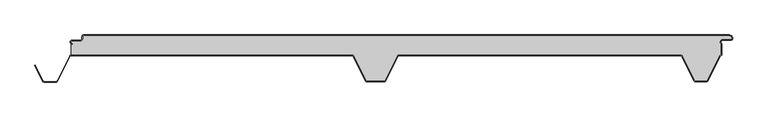
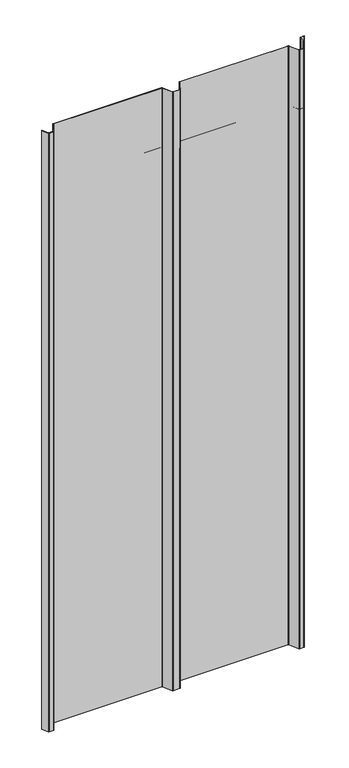
"""IFC4 building model written with IfcOpenShell, lengths in millimetres: proxy geometry."""

from ifc_helpers import new_model, si_unit, point, frame, frame_2d, origin, origin_with_axes, place, context, project, spatial, polyline, circle_curve, trimmed, segment, composite_curve, outline, extrude, source, transform, mapped, element, save
from ifc_brep_helpers import plane_surface, cylinder_surface, revolved_surface, advanced_brep


def generic_models_e5056c23(model_context):
    return source(origin(), model_context, "Body", "SolidModel", [
        extrude(outline(composite_curve([segment(polyline([(548.7649646, -5.5), (547.9649646, -5.5)]), True, "CONTINUOUS"), segment(trimmed(circle_curve(frame_2d((543.2649646, -5.5)), 4.7), [point((547.9649646, -5.5))], [point((543.2649646, -0.8))], True, "CARTESIAN"), True, "CONTINUOUS"), segment(polyline([(543.2649646, -0.8), (-448.7436881, -0.8)]), True, "CONTINUOUS"), segment(trimmed(circle_curve(frame_2d((-448.7436881, -2.5)), 1.7), [point((-448.7436881, -0.8))], [point((-450.4436881, -2.5))], True, "CARTESIAN"), True, "CONTINUOUS"), segment(polyline([(-450.4436881, -2.5), (-450.4436881, -5.5)]), True, "CONTINUOUS"), segment(trimmed(circle_curve(frame_2d((-453.7436881, -5.5)), 3.3), [point((-450.4436881, -5.5))], [point((-453.7436881, -8.8))], False, "CARTESIAN"), True, "CONTINUOUS"), segment(polyline([(-453.7436881, -8.8), (-466.2436881, -8.8)]), True, "CONTINUOUS"), segment(trimmed(circle_curve(frame_2d((-466.2436881, -11.0)), 2.2), [point((-466.2436881, -8.8))], [point((-466.2436881, -13.2))], True, "CARTESIAN"), True, "CONTINUOUS"), segment(polyline([(-466.2436881, -13.2), (-466.2436881, -14.0)]), True, "CONTINUOUS"), segment(trimmed(circle_curve(frame_2d((-466.2436881, -11.0)), 3.0), [point((-466.2436881, -14.0))], [point((-466.2436881, -8.0))], False, "CARTESIAN"), True, "CONTINUOUS"), segment(polyline([(-466.2436881, -8.0), (-453.7436881, -8.0)]), True, "CONTINUOUS"), segment(trimmed(circle_curve(frame_2d((-453.7436881, -5.5)), 2.5), [point((-453.7436881, -8.0))], [point((-451.2436881, -5.5))], True, "CARTESIAN"), True, "CONTINUOUS"), segment(polyline([(-451.2436881, -5.5), (-451.2436881, -2.5)]), True, "CONTINUOUS"), segment(trimmed(circle_curve(frame_2d((-448.7436881, -2.5)), 2.5), [point((-451.2436881, -2.5))], [point((-448.7436881, 0.0))], False, "CARTESIAN"), True, "CONTINUOUS"), segment(polyline([(-448.7436881, 0.0), (543.2649646, 0.0)]), True, "CONTINUOUS"), segment(trimmed(circle_curve(frame_2d((543.2649646, -5.5)), 5.5), [point((543.2649646, 0.0))], [point((548.7649646, -5.5))], False, "CARTESIAN"), True, "CONTINUOUS")], self_intersect=False)), origin_with_axes(), (0.0, 0.0, 1.0), 2277.6075969),
        advanced_brep(
        [(-466.2436881, -13.2, 2277.6075969), (-466.2436881, -14.0, 2277.6075969), (-467.612692, -13.6694247, 2277.6075969), (-467.612692, -31.0, 2277.6075969), (-36.4222721, -31.0, 2277.6075969), (-33.6488557, -32.715023, 2277.6075969), (-14.9197036, -70.2201502, 2277.6075969), (-13.5777279, -71.05, 2277.6075969), (13.5777279, -71.05, 2277.6075969), (14.9197036, -70.2201502, 2277.6075969), (33.6488557, -32.715023, 2277.6075969), (36.4222721, -31.0, 2277.6075969), (468.5950334, -31.0, 2277.6075969), (471.3684498, -32.715023, 2277.6075969), (490.097602, -70.2201502, 2277.6075969), (491.4395777, -71.05, 2277.6075969), (508.577726, -71.05, 2277.6075969), (509.9186975, -70.2221572, 2277.6075969), (528.900782, -32.3523913, 2277.6075969), (531.587308, -30.2829331, 2277.6075969), (531.587308, -14.1201638, 2277.6075969), (533.7563119, -7.2, 2277.6075969), (546.2563119, -7.2, 2277.6075969), (547.9563119, -5.5, 2277.6075969), (543.2649646, -0.8, 2277.6075969), (-448.7436881, -0.8, 2277.6075969), (-450.4436881, -2.5, 2277.6075969), (-450.4436881, -5.5, 2277.6075969), (-453.7436881, -8.8, 2277.6075969), (-466.2436881, -8.8, 2277.6075969), (-466.2436881, -13.2, 0.0), (-466.2436881, -8.8, 0.0), (-453.7436881, -8.8, 0.0), (-450.4436881, -5.5, 0.0), (-450.4436881, -2.5, 0.0), (-448.7436881, -0.8, 0.0), (543.2649646, -0.8, 0.0), (547.9649646, -5.5, 0.0), (546.2563119, -7.2, 0.0), (533.7563119, -7.2, 0.0), (531.587308, -14.1201638, 0.0), (531.587308, -30.2829331, 0.0), (528.900782, -32.3523913, 0.0), (509.9186975, -70.2221572, 0.0), (508.577726, -71.05, 0.0), (491.4395777, -71.05, 0.0), (490.097602, -70.2201502, 0.0), (471.3684498, -32.715023, 0.0), (468.5950334, -31.0, 0.0), (36.4222721, -31.0, 0.0), (33.6488557, -32.715023, 0.0), (14.9197036, -70.2201502, 0.0), (13.5777279, -71.05, 0.0), (-13.5777279, -71.05, 0.0), (-14.9197036, -70.2201502, 0.0), (-33.6488557, -32.715023, 0.0), (-36.4222721, -31.0, 0.0), (-467.612692, -31.0, 0.0), (-467.612692, -13.6694247, 0.0), (-466.2436881, -14.0, 0.0)],
        [
            (0, 1),
            (1, 2, circle_curve(frame((-466.2436881, -11.0, 2277.6075969), z_axis=(0.0, 0.0, -1.0), x_axis=(1.0, 0.0, 0.0)), 3.0)),
            (2, 3),
            (3, 4),
            (4, 5, circle_curve(frame((-36.4222721, -34.1, 2277.6075969), z_axis=(0.0, 0.0, -1.0), x_axis=(1.0, 0.0, 0.0)), 3.1)),
            (5, 6),
            (6, 7, circle_curve(frame((-13.5777279, -69.55, 2277.6075969), z_axis=(0.0, 0.0, 1.0), x_axis=(1.0, 0.0, 0.0)), 1.5)),
            (7, 8),
            (8, 9, circle_curve(frame((13.5777279, -69.55, 2277.6075969), z_axis=(0.0, 0.0, 1.0), x_axis=(1.0, 0.0, 0.0)), 1.5)),
            (9, 10),
            (10, 11, circle_curve(frame((36.4222721, -34.1, 2277.6075969), z_axis=(0.0, 0.0, -1.0), x_axis=(1.0, 0.0, 0.0)), 3.1)),
            (11, 12),
            (12, 13, circle_curve(frame((468.5950334, -34.1, 2277.6075969), z_axis=(0.0, 0.0, -1.0), x_axis=(1.0, 0.0, 0.0)), 3.1)),
            (13, 14),
            (14, 15, circle_curve(frame((491.4395777, -69.55, 2277.6075969), z_axis=(0.0, 0.0, 1.0), x_axis=(1.0, 0.0, 0.0)), 1.5)),
            (15, 16),
            (16, 17, circle_curve(frame((508.577726, -69.55, 2277.6075969), z_axis=(0.0, 0.0, 1.0), x_axis=(1.0, 0.0, 0.0)), 1.5)),
            (17, 18),
            (18, 19, circle_curve(frame((532.387308, -34.1, 2277.6075969), z_axis=(0.0, 0.0, -1.0), x_axis=(1.0, 0.0, 0.0)), 3.9)),
            (19, 20),
            (20, 21, circle_curve(frame((533.7563119, -11.0, 2277.6075969), z_axis=(0.0, 0.0, -1.0), x_axis=(1.0, 0.0, 0.0)), 3.8)),
            (21, 22),
            (22, 23, circle_curve(frame((546.2563119, -5.5, 2277.6075969), z_axis=(0.0, 0.0, 1.0), x_axis=(1.0, 0.0, 0.0)), 1.7)),
            (23, 24, circle_curve(frame((543.2649646, -5.5, 2277.6075969), z_axis=(0.0, 0.0, 1.0), x_axis=(1.0, 0.0, 0.0)), 4.7)),
            (24, 25),
            (25, 26, circle_curve(frame((-448.7436881, -2.5, 2277.6075969), z_axis=(0.0, 0.0, 1.0), x_axis=(1.0, 0.0, 0.0)), 1.7)),
            (26, 27),
            (27, 28, circle_curve(frame((-453.7436881, -5.5, 2277.6075969), z_axis=(0.0, 0.0, -1.0), x_axis=(1.0, 0.0, 0.0)), 3.3)),
            (28, 29),
            (29, 0, circle_curve(frame((-466.2436881, -11.0, 2277.6075969), z_axis=(0.0, 0.0, 1.0), x_axis=(1.0, 0.0, 0.0)), 2.2)),
            (30, 31, circle_curve(frame((-466.2436881, -11.0, 0.0), z_axis=(0.0, 0.0, -1.0), x_axis=(1.0, 0.0, 0.0)), 2.2)),
            (31, 32),
            (32, 33, circle_curve(frame((-453.7436881, -5.5, 0.0), z_axis=(0.0, 0.0, 1.0), x_axis=(1.0, 0.0, 0.0)), 3.3)),
            (33, 34),
            (34, 35, circle_curve(frame((-448.7436881, -2.5, 0.0), z_axis=(0.0, 0.0, -1.0), x_axis=(1.0, 0.0, 0.0)), 1.7)),
            (35, 36),
            (36, 37, circle_curve(frame((543.2649646, -5.5, 0.0), z_axis=(0.0, 0.0, -1.0), x_axis=(1.0, 0.0, 0.0)), 4.7)),
            (37, 38, circle_curve(frame((546.2563119, -5.5, 0.0), z_axis=(0.0, 0.0, -1.0), x_axis=(1.0, 0.0, 0.0)), 1.7)),
            (38, 39),
            (39, 40, circle_curve(frame((533.7563119, -11.0, 0.0), z_axis=(0.0, 0.0, 1.0), x_axis=(1.0, 0.0, 0.0)), 3.8)),
            (40, 41),
            (41, 42, circle_curve(frame((532.387308, -34.1, 0.0), z_axis=(0.0, 0.0, 1.0), x_axis=(1.0, 0.0, 0.0)), 3.9)),
            (42, 43),
            (43, 44, circle_curve(frame((508.577726, -69.55, 0.0), z_axis=(0.0, 0.0, -1.0), x_axis=(1.0, 0.0, 0.0)), 1.5)),
            (44, 45),
            (45, 46, circle_curve(frame((491.4395777, -69.55, 0.0), z_axis=(0.0, 0.0, -1.0), x_axis=(1.0, 0.0, 0.0)), 1.5)),
            (46, 47),
            (47, 48, circle_curve(frame((468.5950334, -34.1, 0.0), z_axis=(0.0, 0.0, 1.0), x_axis=(1.0, 0.0, 0.0)), 3.1)),
            (48, 49),
            (49, 50, circle_curve(frame((36.4222721, -34.1, 0.0), z_axis=(0.0, 0.0, 1.0), x_axis=(1.0, 0.0, 0.0)), 3.1)),
            (50, 51),
            (51, 52, circle_curve(frame((13.5777279, -69.55, 0.0), z_axis=(0.0, 0.0, -1.0), x_axis=(1.0, 0.0, 0.0)), 1.5)),
            (52, 53),
            (53, 54, circle_curve(frame((-13.5777279, -69.55, 0.0), z_axis=(0.0, 0.0, -1.0), x_axis=(1.0, 0.0, 0.0)), 1.5)),
            (54, 55),
            (55, 56, circle_curve(frame((-36.4222721, -34.1, 0.0), z_axis=(0.0, 0.0, 1.0), x_axis=(1.0, 0.0, 0.0)), 3.1)),
            (56, 57),
            (57, 58),
            (58, 59, circle_curve(frame((-466.2436881, -11.0, 0.0), z_axis=(0.0, 0.0, 1.0), x_axis=(1.0, 0.0, 0.0)), 3.0)),
            (59, 30),
            (0, 30),
            (59, 1),
            (58, 2),
            (57, 3),
            (56, 4),
            (55, 5),
            (54, 6),
            (53, 7),
            (52, 8),
            (51, 9),
            (50, 10),
            (49, 11),
            (48, 12),
            (47, 13),
            (46, 14),
            (45, 15),
            (44, 16),
            (43, 17),
            (42, 18),
            (23, 37),
            (36, 24),
            (35, 25),
            (34, 26),
            (33, 27),
            (32, 28),
            (31, 29),
            (41, 19),
            (40, 20),
            (39, 21),
            (38, 22),
        ],
        [
            plane_surface(frame((-466.2436881, -14.0, 2277.6075969), z_axis=(0.0, 0.0, 1.0), x_axis=(0.0, -1.0, 0.0))),
            plane_surface(frame((-466.2436881, -14.0, 0.0), z_axis=(0.0, 0.0, -1.0), x_axis=(0.0, 1.0, 0.0))),
            plane_surface(frame((-466.2436881, -13.2, 2277.6075969), z_axis=(-1.0, 0.0, 0.0), x_axis=(0.0, 0.0, -1.0))),
            revolved_surface(polyline([(-463.2436881, -11.0, 0.0), (-463.2436881, -11.0, 2277.6075969)]), (-466.2436881, -11.0, 0.0), (0.0, 0.0, -1.0)),
            plane_surface(frame((-467.612692, -13.6694247, 2277.6075969), z_axis=(-1.0, 0.0, 0.0), x_axis=(0.0, 0.0, -1.0))),
            plane_surface(frame((-467.612692, -31.0, 2277.6075969), z_axis=(0.0, -1.0, 0.0), x_axis=(0.0, 0.0, -1.0))),
            revolved_surface(polyline([(-33.3222721, -34.1, 0.0), (-33.3222721, -34.1, 2277.6075969)]), (-36.4222721, -34.1, 0.0), (0.0, 0.0, -1.0)),
            plane_surface(frame((-33.6488557, -32.715023, 2277.6075969), z_axis=(-0.8946504628098966, -0.4467667729297223, 0.0), x_axis=(0.0, 0.0, -1.0))),
            cylinder_surface(frame((-13.5777279, -69.55, 0.0), z_axis=(0.0, 0.0, 1.0), x_axis=(1.0, 0.0, 0.0)), 1.5),
            plane_surface(frame((-13.5777279, -71.05, 2277.6075969), z_axis=(5.480851157301276e-12, -1.0, 0.0), x_axis=(0.0, 0.0, -1.0))),
            cylinder_surface(frame((13.5777279, -69.55, 0.0), z_axis=(0.0, 0.0, 1.0), x_axis=(1.0, 0.0, 0.0)), 1.5),
            plane_surface(frame((14.9197036, -70.2201502, 2277.6075969), z_axis=(0.894650462808013, -0.4467667729334942, 0.0), x_axis=(0.0, 0.0, -1.0))),
            revolved_surface(polyline([(39.5222721, -34.1, 0.0), (39.5222721, -34.1, 2277.6075969)]), (36.4222721, -34.1, 0.0), (0.0, 0.0, -1.0)),
            plane_surface(frame((36.4222721, -31.0, 2277.6075969), z_axis=(0.0, -1.0, 0.0), x_axis=(0.0, 0.0, -1.0))),
            revolved_surface(polyline([(471.6950334, -34.1, 0.0), (471.6950334, -34.1, 2277.6075969)]), (468.5950334, -34.1, 0.0), (0.0, 0.0, -1.0)),
            plane_surface(frame((471.3684498, -32.715023, 2277.6075969), z_axis=(-0.8946504628065555, -0.44676677293641287, 0.0), x_axis=(0.0, 0.0, -1.0))),
            cylinder_surface(frame((491.4395777, -69.55, 0.0), z_axis=(0.0, 0.0, 1.0), x_axis=(1.0, 0.0, 0.0)), 1.5),
            plane_surface(frame((491.4395777, -71.05, 2277.6075969), z_axis=(0.0, -1.0, 0.0), x_axis=(0.0, 0.0, -1.0))),
            cylinder_surface(frame((508.577726, -69.55, 0.0), z_axis=(0.0, 0.0, 1.0), x_axis=(1.0, 0.0, 0.0)), 1.5),
            plane_surface(frame((509.9186975, -70.2221572, 2277.6075969), z_axis=(0.8939810379181881, -0.44810479114010754, 0.0), x_axis=(0.0, 0.0, -1.0))),
            cylinder_surface(frame((543.2649646, -5.5, 0.0), z_axis=(0.0, 0.0, 1.0), x_axis=(1.0, 0.0, 0.0)), 4.7),
            plane_surface(frame((543.2649646, -0.8, 2277.6075969), z_axis=(0.0, 1.0, 0.0), x_axis=(0.0, 0.0, -1.0))),
            cylinder_surface(frame((-448.7436881, -2.5, 0.0), z_axis=(0.0, 0.0, 1.0), x_axis=(1.0, 0.0, 0.0)), 1.7),
            plane_surface(frame((-450.4436881, -2.5, 2277.6075969), z_axis=(-1.0, 0.0, 0.0), x_axis=(0.0, 0.0, -1.0))),
            revolved_surface(polyline([(-450.4436881, -5.5, 0.0), (-450.4436881, -5.5, 2277.6075969)]), (-453.7436881, -5.5, 0.0), (0.0, 0.0, -1.0)),
            plane_surface(frame((-453.7436881, -8.8, 2277.6075969), z_axis=(0.0, 1.0, 0.0), x_axis=(0.0, 0.0, -1.0))),
            cylinder_surface(frame((-466.2436881, -11.0, 0.0), z_axis=(0.0, 0.0, 1.0), x_axis=(1.0, 0.0, 0.0)), 2.2),
            revolved_surface(polyline([(536.2873079999999, -34.1, 0.0), (536.2873079999999, -34.1, 2277.6075969)]), (532.387308, -34.1, 0.0), (0.0, 0.0, -1.0)),
            plane_surface(frame((531.587308, -30.2829331, 2277.6075969), z_axis=(1.0, 0.0, 0.0), x_axis=(0.0, 0.0, -1.0))),
            revolved_surface(polyline([(537.5563119, -11.0, 0.0), (537.5563119, -11.0, 2277.6075969)]), (533.7563119, -11.0, 0.0), (0.0, 0.0, -1.0)),
            plane_surface(frame((533.7563119, -7.2, 2277.6075969), z_axis=(0.0, -1.0, 0.0), x_axis=(0.0, 0.0, -1.0))),
            cylinder_surface(frame((546.2563119, -5.5, 0.0), z_axis=(0.0, 0.0, 1.0), x_axis=(1.0, 0.0, 0.0)), 1.7),
        ],
        [
            (0, [[1, 2, 3, 4, 5, 6, 7, 8, 9, 10, 11, 12, 13, 14, 15, 16, 17, 18, 19, 20, 21, 22, 23, 24, 25, 26, 27, 28, 29, 30]]),
            (1, [[31, 32, 33, 34, 35, 36, 37, 38, 39, 40, 41, 42, 43, 44, 45, 46, 47, 48, 49, 50, 51, 52, 53, 54, 55, 56, 57, 58, 59, 60]]),
            (2, [[-1, 61, -60, 62]]),
            (3, [[-2, -62, -59, 63]]),
            (4, [[-3, -63, -58, 64]]),
            (5, [[-4, -64, -57, 65]]),
            (6, [[-5, -65, -56, 66]]),
            (7, [[-6, -66, -55, 67]]),
            (8, [[-7, -67, -54, 68]]),
            (9, [[-8, -68, -53, 69]]),
            (10, [[-9, -69, -52, 70]]),
            (11, [[-10, -70, -51, 71]]),
            (12, [[-11, -71, -50, 72]]),
            (13, [[-12, -72, -49, 73]]),
            (14, [[-13, -73, -48, 74]]),
            (15, [[-14, -74, -47, 75]]),
            (16, [[-15, -75, -46, 76]]),
            (17, [[-16, -76, -45, 77]]),
            (18, [[-17, -77, -44, 78]]),
            (19, [[-18, -78, -43, 79]]),
            (20, [[-24, 80, -37, 81]]),
            (21, [[-25, -81, -36, 82]]),
            (22, [[-26, -82, -35, 83]]),
            (23, [[-27, -83, -34, 84]]),
            (24, [[-28, -84, -33, 85]]),
            (25, [[-29, -85, -32, 86]]),
            (26, [[-30, -86, -31, -61]]),
            (27, [[-19, -79, -42, 87]]),
            (28, [[-20, -87, -41, 88]]),
            (29, [[-21, -88, -40, 89]]),
            (30, [[-22, -89, -39, 90]]),
            (31, [[-23, -90, -38, -80]]),
        ],
    ),
        extrude(outline(composite_curve([segment(polyline([(-523.5365904, -46.7174495), (-522.82087, -46.3600361), (-510.4107041, -71.2113932)]), True, "CONTINUOUS"), segment(trimmed(circle_curve(frame_2d((-509.0687284, -70.541243)), 1.5), [point((-510.4107041, -71.2113932))], [point((-509.0687284, -72.041243))], True, "CARTESIAN"), True, "CONTINUOUS"), segment(polyline([(-509.0687284, -72.041243), (-490.9312716, -72.041243)]), True, "CONTINUOUS"), segment(trimmed(circle_curve(frame_2d((-490.9312716, -70.541243)), 1.5), [point((-490.9312716, -72.041243))], [point((-489.5890038, -71.210808))], True, "CARTESIAN"), True, "CONTINUOUS"), segment(polyline([(-489.5890038, -71.210808), (-470.3867121, -32.7162325)]), True, "CONTINUOUS"), segment(trimmed(circle_curve(frame_2d((-467.612692, -34.1)), 3.1), [point((-470.3867121, -32.7162325))], [point((-467.612692, -31.0))], False, "CARTESIAN"), True, "CONTINUOUS"), segment(polyline([(-467.612692, -31.0), (-36.4222721, -31.0)]), True, "CONTINUOUS"), segment(trimmed(circle_curve(frame_2d((-36.4222721, -34.1)), 3.1), [point((-36.4222721, -31.0))], [point((-33.6488557, -32.715023))], False, "CARTESIAN"), True, "CONTINUOUS"), segment(polyline([(-33.6488557, -32.715023), (-14.9197036, -70.2201502)]), True, "CONTINUOUS"), segment(trimmed(circle_curve(frame_2d((-13.5777279, -69.55)), 1.5), [point((-14.9197036, -70.2201502))], [point((-13.5777279, -71.05))], True, "CARTESIAN"), True, "CONTINUOUS"), segment(polyline([(-13.5777279, -71.05), (13.5777279, -71.05)]), True, "CONTINUOUS"), segment(trimmed(circle_curve(frame_2d((13.5777279, -69.55)), 1.5), [point((13.5777279, -71.05))], [point((14.9197036, -70.2201502))], True, "CARTESIAN"), True, "CONTINUOUS"), segment(polyline([(14.9197036, -70.2201502), (33.6488557, -32.715023)]), True, "CONTINUOUS"), segment(trimmed(circle_curve(frame_2d((36.4222721, -34.1)), 3.1), [point((33.6488557, -32.715023))], [point((36.4222721, -31.0))], False, "CARTESIAN"), True, "CONTINUOUS"), segment(polyline([(36.4222721, -31.0), (468.5950334, -31.0)]), True, "CONTINUOUS"), segment(trimmed(circle_curve(frame_2d((468.5950334, -34.1)), 3.1), [point((468.5950334, -31.0))], [point((471.3684498, -32.715023))], False, "CARTESIAN"), True, "CONTINUOUS"), segment(polyline([(471.3684498, -32.715023), (490.097602, -70.2201502)]), True, "CONTINUOUS"), segment(trimmed(circle_curve(frame_2d((491.4395777, -69.55)), 1.5), [point((490.097602, -70.2201502))], [point((491.4395777, -71.05))], True, "CARTESIAN"), True, "CONTINUOUS"), segment(polyline([(491.4395777, -71.05), (508.577725, -71.05)]), True, "CONTINUOUS"), segment(trimmed(circle_curve(frame_2d((508.577725, -69.55)), 1.5), [point((508.577725, -71.05))], [point((509.9186965, -70.2221572))], True, "CARTESIAN"), True, "CONTINUOUS"), segment(polyline([(509.9186965, -70.2221572), (528.900782, -32.3523912)]), True, "CONTINUOUS"), segment(trimmed(circle_curve(frame_2d((532.387308, -34.1)), 3.9), [point((528.900782, -32.3523912))], [point((531.587308, -30.2829331))], False, "CARTESIAN"), True, "CONTINUOUS"), segment(polyline([(531.587308, -30.2829331), (531.587308, -14.1201638)]), True, "CONTINUOUS"), segment(trimmed(circle_curve(frame_2d((533.7563119, -11.0)), 3.8), [point((531.587308, -14.1201638))], [point((533.7563119, -7.2))], False, "CARTESIAN"), True, "CONTINUOUS"), segment(polyline([(533.7563119, -7.2), (546.2563119, -7.2)]), True, "CONTINUOUS"), segment(trimmed(circle_curve(frame_2d((546.2563119, -5.5)), 1.7), [point((546.2563119, -7.2))], [point((547.9563119, -5.5))], True, "CARTESIAN"), True, "CONTINUOUS"), segment(polyline([(547.9563119, -5.5), (548.7563119, -5.5)]), True, "CONTINUOUS"), segment(trimmed(circle_curve(frame_2d((546.2563119, -5.5)), 2.5), [point((548.7563119, -5.5))], [point((546.2563119, -8.0))], False, "CARTESIAN"), True, "CONTINUOUS"), segment(polyline([(546.2563119, -8.0), (533.7563119, -8.0)]), True, "CONTINUOUS"), segment(trimmed(circle_curve(frame_2d((533.7563119, -11.0)), 3.0), [point((533.7563119, -8.0))], [point((532.387308, -13.6694247))], True, "CARTESIAN"), True, "CONTINUOUS"), segment(polyline([(532.387308, -13.6694247), (532.387308, -31.0)]), True, "CONTINUOUS"), segment(trimmed(circle_curve(frame_2d((532.387308, -34.1)), 3.1), [point((532.387308, -31.0))], [point((529.6159668, -32.7108751))], True, "CARTESIAN"), True, "CONTINUOUS"), segment(polyline([(529.6159668, -32.7108751), (510.6338814, -70.5806411)]), True, "CONTINUOUS"), segment(trimmed(circle_curve(frame_2d((508.577725, -69.55)), 2.3), [point((510.6338814, -70.5806411))], [point((508.577725, -71.85))], False, "CARTESIAN"), True, "CONTINUOUS"), segment(polyline([(508.577725, -71.85), (491.4395777, -71.85)]), True, "CONTINUOUS"), segment(trimmed(circle_curve(frame_2d((491.4395777, -69.55)), 2.3), [point((491.4395777, -71.85))], [point((489.3818816, -70.5775636))], False, "CARTESIAN"), True, "CONTINUOUS"), segment(polyline([(489.3818816, -70.5775636), (470.6527295, -33.0724364)]), True, "CONTINUOUS"), segment(trimmed(circle_curve(frame_2d((468.5950334, -34.1)), 2.3), [point((470.6527295, -33.0724364))], [point((468.5950334, -31.8))], True, "CARTESIAN"), True, "CONTINUOUS"), segment(polyline([(468.5950334, -31.8), (36.4222721, -31.8)]), True, "CONTINUOUS"), segment(trimmed(circle_curve(frame_2d((36.4222721, -34.1)), 2.3), [point((36.4222721, -31.8))], [point((34.3645761, -33.0724364))], True, "CARTESIAN"), True, "CONTINUOUS"), segment(polyline([(34.3645761, -33.0724364), (15.6354239, -70.5775636)]), True, "CONTINUOUS"), segment(trimmed(circle_curve(frame_2d((13.5777279, -69.55)), 2.3), [point((15.6354239, -70.5775636))], [point((13.5777279, -71.85))], False, "CARTESIAN"), True, "CONTINUOUS"), segment(polyline([(13.5777279, -71.85), (-13.5777279, -71.85)]), True, "CONTINUOUS"), segment(trimmed(circle_curve(frame_2d((-13.5777279, -69.55)), 2.3), [point((-13.5777279, -71.85))], [point((-15.6354239, -70.5775636))], False, "CARTESIAN"), True, "CONTINUOUS"), segment(polyline([(-15.6354239, -70.5775636), (-34.3645761, -33.0724364)]), True, "CONTINUOUS"), segment(trimmed(circle_curve(frame_2d((-36.4222721, -34.1)), 2.3), [point((-34.3645761, -33.0724364))], [point((-36.4222721, -31.8))], True, "CARTESIAN"), True, "CONTINUOUS"), segment(polyline([(-36.4222721, -31.8), (-467.612692, -31.8)]), True, "CONTINUOUS"), segment(trimmed(circle_curve(frame_2d((-467.612692, -34.1)), 2.3), [point((-467.612692, -31.8))], [point((-469.6708359, -33.0733338))], True, "CARTESIAN"), True, "CONTINUOUS"), segment(polyline([(-469.6708359, -33.0733338), (-488.8731276, -71.5679093)]), True, "CONTINUOUS"), segment(trimmed(circle_curve(frame_2d((-490.9312716, -70.541243)), 2.3), [point((-488.8731276, -71.5679093))], [point((-490.9312716, -72.841243))], False, "CARTESIAN"), True, "CONTINUOUS"), segment(polyline([(-490.9312716, -72.841243), (-509.0687284, -72.841243)]), True, "CONTINUOUS"), segment(trimmed(circle_curve(frame_2d((-509.0687284, -70.541243)), 2.3), [point((-509.0687284, -72.841243))], [point((-511.1264245, -71.5688066))], False, "CARTESIAN"), True, "CONTINUOUS"), segment(polyline([(-511.1264245, -71.5688066), (-523.5365904, -46.7174495)]), True, "CONTINUOUS")], self_intersect=False)), origin_with_axes(), (0.0, 0.0, 1.0), 2527.6075969),
    ])


if __name__ == "__main__":
    model = new_model("IFC4")
    model_context = context("Model", 3, world=origin())
    ifc_project = project(units=[si_unit("LENGTHUNIT", "METRE", prefix="MILLI")], contexts=[model_context])
    site = spatial("IfcSite", under=ifc_project)
    building = spatial("IfcBuilding", under=site)
    placement = place(None, origin())
    generic_models_shape = generic_models_e5056c23(model_context)
    element("IfcBuildingElementProxy", 1, Name="Generic Models", at=placement, inside=building, context=model_context, shape_type="MappedRepresentation", body=[
        mapped(generic_models_shape, transform((0.0, 0.0, 0.0), x_axis=(1.0, 0.0, 0.0), y_axis=(0.0, 1.0, 0.0), z_axis=(0.0, 0.0, 1.0))),
    ])
    save(model, "model.ifc")
